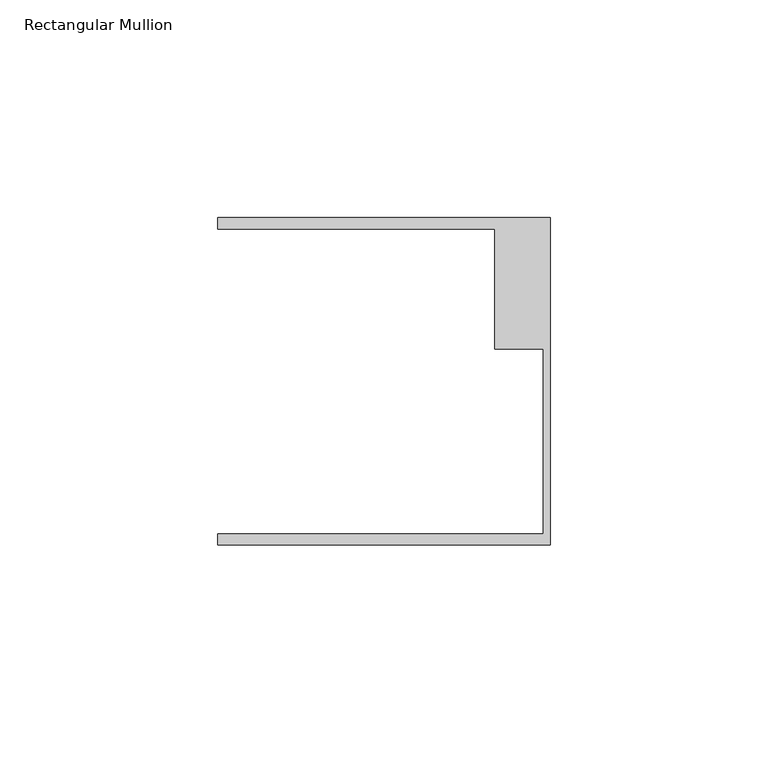
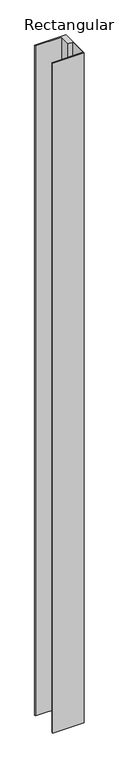
"""IFC4 building model written with IfcOpenShell, lengths in millimetres: member geometry, Rectangular Mullion."""

from ifc_helpers import new_model, si_unit, frame, origin, place, context, project, spatial, polyline, outline, extrude, source, transform, mapped, element, save


def rectangular_mullion_4e56e6d1(model_context):
    return source(origin(), model_context, "Body", "SweptSolid", [
        extrude(outline(polyline([(0.0, -37.5776386), (-76.2, -37.5776386), (-76.2, -35.0376386), (-1.5875, -35.0376386), (-1.5875, 7.3398614), (-12.7, 7.3398614), (-12.7, 34.9623614), (-76.2, 34.9623614), (-76.2, 37.5023614), (0.0, 37.5023614), (0.0, -37.5776386)])), frame((0.0, 0.0, -1709.95), z_axis=(0.0, 0.0, 1.0), x_axis=(1.0, 0.0, 0.0)), (0.0, 0.0, 1.0), 1709.95),
    ])


if __name__ == "__main__":
    model = new_model("IFC4")
    model_context = context("Model", 3, world=origin())
    ifc_project = project(units=[si_unit("LENGTHUNIT", "METRE", prefix="MILLI")], contexts=[model_context])
    site = spatial("IfcSite", under=ifc_project)
    building = spatial("IfcBuilding", under=site)
    placement = place(None, origin())
    rectangular_mullion_shape = rectangular_mullion_4e56e6d1(model_context)
    element("IfcMember", 1, ObjectType="Rectangular Mullion", at=placement, inside=building, context=model_context, shape_type="MappedRepresentation", body=[
        mapped(rectangular_mullion_shape, transform((0.0, 0.0, 0.0), x_axis=(1.0, 0.0, 0.0), y_axis=(0.0, 1.0, 0.0), z_axis=(0.0, 0.0, 1.0))),
    ])
    save(model, "model.ifc")
